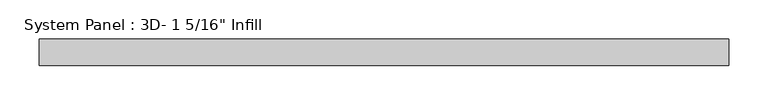
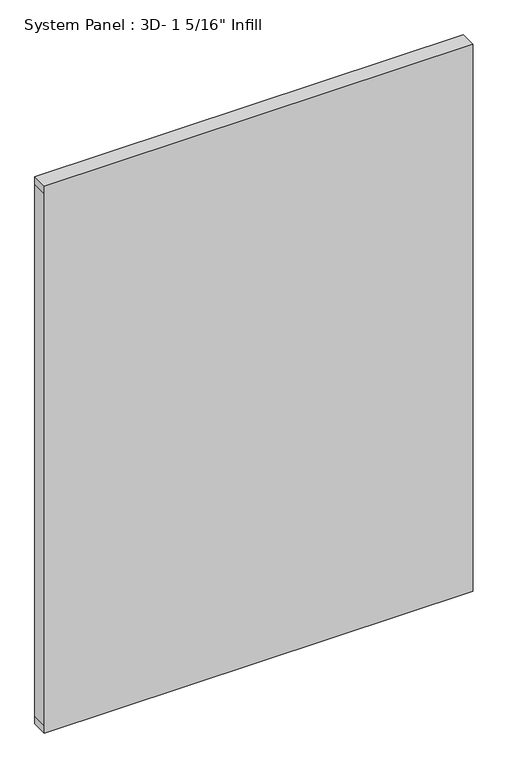
"""IFC4 building model written with IfcOpenShell, lengths in millimetres: plate geometry."""

from ifc_helpers import new_model, si_unit, frame, origin, place, context, project, spatial, polyline, outline, extrude, source, transform, mapped, element, save


def plate_9abc1218(model_context):
    return source(origin(), model_context, "Body", "SweptSolid", [
        extrude(outline(polyline([(0.0, -438.1269209), (0.0, 438.1269209), (15.875, 438.1269209), (1165.225, 438.1269209), (1181.1, 438.1269209), (1181.1, -438.1269209), (1165.225, -438.1269209), (15.875, -438.1269209), (0.0, -438.1269209)])), frame((0.0, -16.66875, 0.0), z_axis=(0.0, 1.0, 0.0), x_axis=(0.0, 0.0, 1.0)), (0.0, 0.0, 1.0), 33.3375),
    ])


if __name__ == "__main__":
    model = new_model("IFC4")
    model_context = context("Model", 3, world=origin())
    ifc_project = project(units=[si_unit("LENGTHUNIT", "METRE", prefix="MILLI")], contexts=[model_context])
    site = spatial("IfcSite", under=ifc_project)
    building = spatial("IfcBuilding", under=site)
    placement = place(None, origin())
    plate_shape = plate_9abc1218(model_context)
    element("IfcPlate", 1, ObjectType="System Panel : 3D- 1 5/16\" Infill", at=placement, inside=building, context=model_context, shape_type="MappedRepresentation", body=[
        mapped(plate_shape, transform((0.0, 0.0, 0.0), x_axis=(1.0, 0.0, 0.0), y_axis=(0.0, 1.0, 0.0), z_axis=(0.0, 0.0, 1.0))),
    ])
    save(model, "model.ifc")
